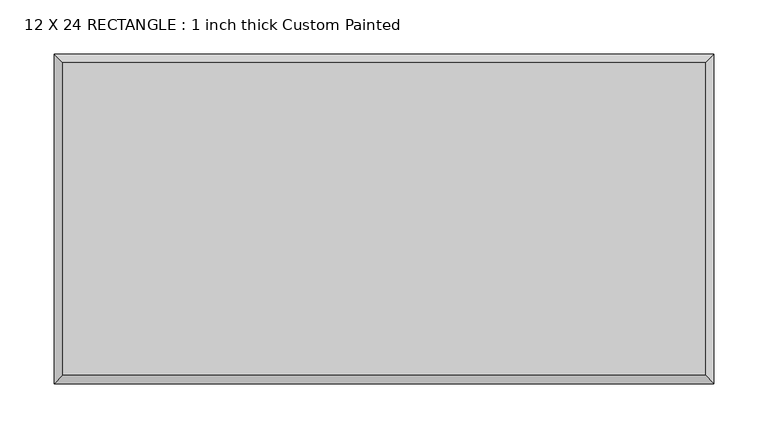
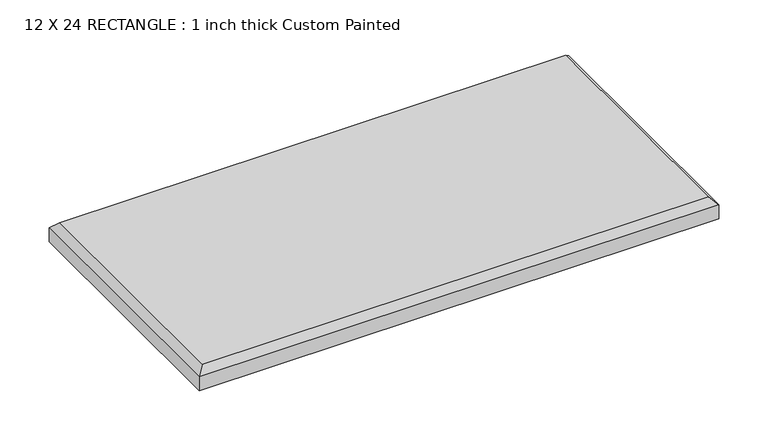
"""IFC4 building model written with IfcOpenShell, lengths in millimetres: proxy geometry, 12 X 24 RECTANGLE : 1 inch thick Custom Painted."""

from ifc_helpers import new_model, si_unit, origin, place, context, project, spatial, faceted_brep, source, transform, mapped, element, save


def proxy_12_x_24_rectangle_1_inch_thick_custom_painted_5b4e4306(model_context):
    return source(origin(), model_context, "Body", "Brep", [
        faceted_brep([(296.799, 144.399, 25.4), (-296.799, 144.399, 25.4), (-296.799, -144.399, 25.4), (296.799, -144.399, 25.4), (-304.8, 152.4, 0.0), (304.8, 152.4, 0.0), (304.8, -152.4, 0.0), (-304.8, -152.4, 0.0), (-304.8, -152.4, 17.399), (-304.8, 152.4, 17.399), (304.8, -152.4, 17.399), (304.8, 152.4, 17.399)], [[[0, 1, 2, 3]], [[4, 5, 6, 7]], [[4, 7, 8, 9]], [[7, 6, 10, 8]], [[6, 5, 11, 10]], [[5, 4, 9, 11]], [[9, 1, 0, 11]], [[1, 9, 8, 2]], [[2, 8, 10, 3]], [[11, 0, 3, 10]]]),
    ])


if __name__ == "__main__":
    model = new_model("IFC4")
    model_context = context("Model", 3, world=origin())
    ifc_project = project(units=[si_unit("LENGTHUNIT", "METRE", prefix="MILLI")], contexts=[model_context])
    site = spatial("IfcSite", under=ifc_project)
    building = spatial("IfcBuilding", under=site)
    placement = place(None, origin())
    proxy_12_x_24_rectangle_1_inch_thick_custom_painted_shape = proxy_12_x_24_rectangle_1_inch_thick_custom_painted_5b4e4306(model_context)
    element("IfcBuildingElementProxy", 1, Name="12 X 24 RECTANGLE : 1 inch thick Custom Painted", ObjectType="12 X 24 RECTANGLE : 1 inch thick Custom Painted", at=placement, inside=building, context=model_context, shape_type="MappedRepresentation", body=[
        mapped(proxy_12_x_24_rectangle_1_inch_thick_custom_painted_shape, transform((0.0, 0.0, 0.0), x_axis=(1.0, 0.0, 0.0), y_axis=(0.0, 1.0, 0.0), z_axis=(0.0, 0.0, 1.0))),
    ])
    save(model, "model.ifc")
